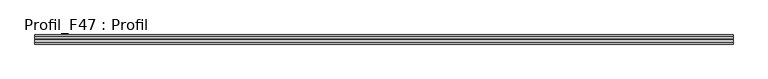
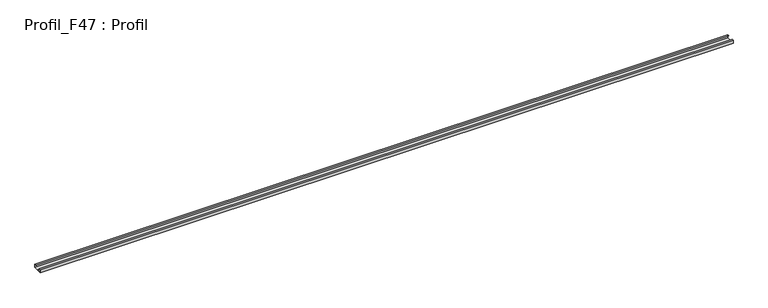
"""IFC4 building model written with IfcOpenShell, lengths in millimetres: proxy geometry, Profil_F47 : Profil."""

from ifc_helpers import new_model, si_unit, frame, origin, place, context, project, spatial, polyline, outline, extrude, source, transform, mapped, element, save


def profil_f47_profil_ccc7207d(model_context):
    return source(origin(), model_context, "Body", "SweptSolid", [
        extrude(outline(polyline([(-23.5, 17.0), (-17.5, 17.0), (-17.5, 16.2), (-22.7, 16.2), (-22.7, 0.8), (-1.0215996, 0.8), (0.0, 1.2982674), (1.0215996, 0.8), (22.7, 0.8), (22.7, 16.2), (17.5, 16.2), (17.5, 17.0), (23.5, 17.0), (23.5, 0.0), (0.836905, 0.0), (0.0, 0.4081859), (-0.836905, 0.0), (-23.5, 0.0), (-23.5, 17.0)])), frame((0.0, 0.0, 0.0), z_axis=(1.0, 0.0, 0.0), x_axis=(0.0, 1.0, 0.0)), (0.0, 0.0, 1.0), 3598.4),
    ])


if __name__ == "__main__":
    model = new_model("IFC4")
    model_context = context("Model", 3, world=origin())
    ifc_project = project(units=[si_unit("LENGTHUNIT", "METRE", prefix="MILLI")], contexts=[model_context])
    site = spatial("IfcSite", under=ifc_project)
    building = spatial("IfcBuilding", under=site)
    placement = place(None, origin())
    profil_f47_profil_shape = profil_f47_profil_ccc7207d(model_context)
    element("IfcBuildingElementProxy", 1, Name="Profil_F47 : Profil", ObjectType="Profil_F47 : Profil", at=placement, inside=building, context=model_context, shape_type="MappedRepresentation", body=[
        mapped(profil_f47_profil_shape, transform((0.0, 0.0, 0.0), x_axis=(1.0, 0.0, 0.0), y_axis=(0.0, 1.0, 0.0), z_axis=(0.0, 0.0, 1.0))),
    ])
    save(model, "model.ifc")
